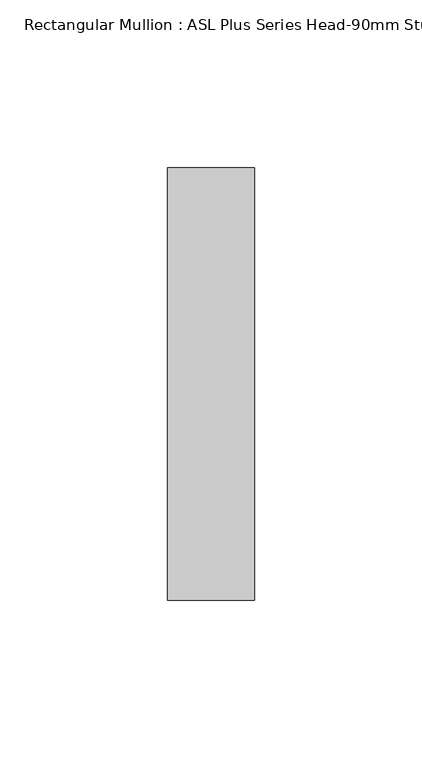
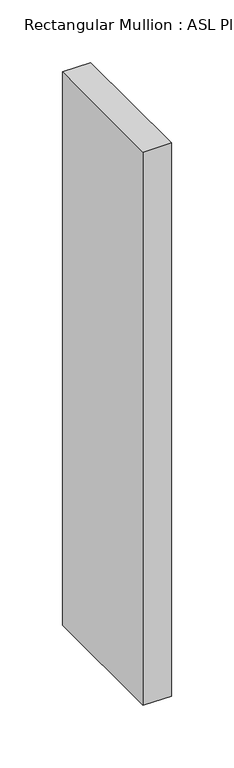
"""IFC4 building model written with IfcOpenShell, lengths in millimetres: member geometry, Rectangular Mullion : ASL Plus Series Head-90mm Stud."""

from ifc_helpers import new_model, si_unit, frame, origin, place, context, project, spatial, polyline, outline, extrude, source, transform, mapped, element, save


def rectangular_mullion_asl_plus_series_head_90mm_stud_b6b3bba8(model_context):
    return source(origin(), model_context, "Body", "SweptSolid", [
        extrude(outline(polyline([(0.0, 64.5), (0.0, -64.5), (-26.0, -64.5), (-26.0, 64.5), (0.0, 64.5)])), frame((0.0, 0.0, -539.0), z_axis=(0.0, 0.0, 1.0), x_axis=(1.0, 0.0, 0.0)), (0.0, 0.0, 1.0), 539.0),
    ])


if __name__ == "__main__":
    model = new_model("IFC4")
    model_context = context("Model", 3, world=origin())
    ifc_project = project(units=[si_unit("LENGTHUNIT", "METRE", prefix="MILLI")], contexts=[model_context])
    site = spatial("IfcSite", under=ifc_project)
    building = spatial("IfcBuilding", under=site)
    placement = place(None, origin())
    rectangular_mullion_asl_plus_series_head_90mm_stud_shape = rectangular_mullion_asl_plus_series_head_90mm_stud_b6b3bba8(model_context)
    element("IfcMember", 1, ObjectType="Rectangular Mullion : ASL Plus Series Head-90mm Stud", at=placement, inside=building, context=model_context, shape_type="MappedRepresentation", body=[
        mapped(rectangular_mullion_asl_plus_series_head_90mm_stud_shape, transform((0.0, 0.0, 0.0), x_axis=(1.0, 0.0, 0.0), y_axis=(0.0, 1.0, 0.0), z_axis=(0.0, 0.0, 1.0))),
    ])
    save(model, "model.ifc")
